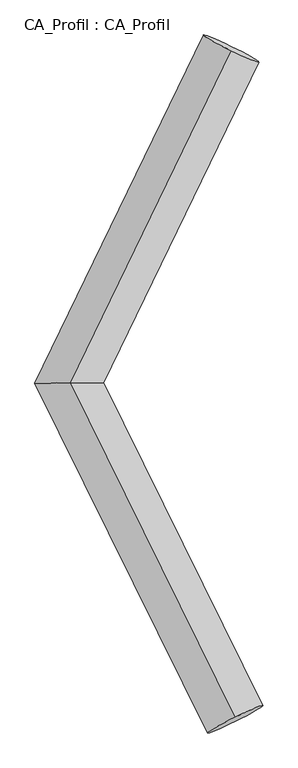
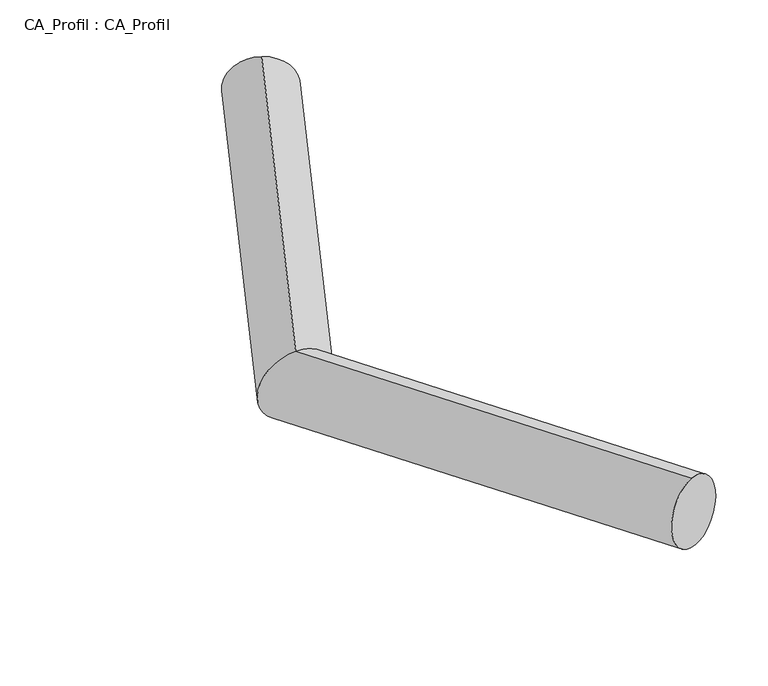
"""IFC4 building model written with IfcOpenShell, lengths in millimetres: plate geometry, CA_Profil : CA_Profil."""

from ifc_helpers import new_model, si_unit, frame, origin, place, context, project, spatial, circle_curve, ellipse_curve, source, transform, mapped, element, save
from ifc_brep_helpers import plane_surface, cylinder_surface, advanced_brep


def ca_profil_ca_profil_5d3562be(model_context):
    return source(origin(), model_context, "Body", "AdvancedBrep", [
        advanced_brep(
        [(6082.5654579, 8810.8254414, -153.4915211), (6077.2547681, 8778.022922, 345.4030482), (4765.8613016, 6096.1149812, -346.0010327), (4776.349137, 6095.8850188, 155.2033693), (6114.9588383, 3365.6624135, -154.6228019), (6109.409349, 3397.8905596, 344.3066017)],
        [
            (0, 1, circle_curve(frame((6079.910113, 8794.4241817, 95.9557635), z_axis=(0.4355169559234601, 0.8979256503790444, 0.06367501468027432), x_axis=(-0.010621379543289879, -0.06560503883486642, 0.9977891386340468)), 250.0)),
            (1, 0, circle_curve(frame((6079.910113, 8794.4241817, 95.9557635), z_axis=(0.4355169559234601, 0.8979256503790444, 0.06367501468027432), x_axis=(-0.010621379543289879, -0.06560503883486642, 0.9977891386340468)), 250.0)),
            (0, 2),
            (2, 3, ellipse_curve(frame((4771.1052193, 6096.0, -95.3988317), z_axis=(-0.0036720806419067173, 0.9999931144247671, 0.0005356554993738939), x_axis=(0.9897821842124181, 0.003558230444300859, 0.1425432103321652)), 278.9075635, 250.0)),
            (3, 1),
            (3, 2, ellipse_curve(frame((4771.1052193, 6096.0, -95.3988317), z_axis=(-0.0036720806419067173, 0.9999931144247671, 0.0005356554993738939), x_axis=(0.9897821842124181, 0.003558230444300859, 0.1425432103321652)), 278.9075635, 250.0)),
            (4, 5, circle_curve(frame((6112.1840936, 3381.7764866, 94.8418999), z_axis=(0.4420999266326492, -0.8947706500570002, 0.06271474043619797), x_axis=(-0.011098978527866973, 0.06445629222168678, 0.9978588071809912)), 250.0)),
            (5, 4, circle_curve(frame((6112.1840936, 3381.7764866, 94.8418999), z_axis=(0.4420999266326492, -0.8947706500570002, 0.06271474043619797), x_axis=(-0.011098978527866973, 0.06445629222168678, 0.9978588071809912)), 250.0)),
            (2, 4),
            (5, 3),
        ],
        [
            plane_surface(frame((6079.910113, 8812.1081386, -153.4180075), z_axis=(0.43551695592346035, 0.8979256503790444, 0.06367501468027398), x_axis=(0.9001805269517681, -0.4344260225478393, -0.030806652367654005))),
            cylinder_surface(frame((6079.910113, 8794.4241817, 95.9557635), z_axis=(0.4355169559234601, 0.8979256503790444, 0.06367501468027432), x_axis=(-0.010621379543289879, -0.06560503883486642, 0.9977891386340468)), 250.0),
            plane_surface(frame((6112.1840936, 3364.2967956, -154.5462722), z_axis=(0.44209992663264847, -0.8947706500570005, 0.06271474043619803), x_axis=(0.8969658047391812, 0.4410179704211498, -0.030911080443797846))),
            cylinder_surface(frame((4771.1052193, 6096.0, -95.3988317), z_axis=(-0.4420999266326492, 0.8947706500570002, -0.06271474043619797), x_axis=(-0.011098978527866973, 0.06445629222168678, 0.9978588071809912)), 250.0),
        ],
        [
            (0, [[1, 2]]),
            (1, [[-1, 3, 4, 5]]),
            (1, [[-2, -5, 6, -3]]),
            (2, [[7, 8]]),
            (3, [[-4, 9, -8, 10]]),
            (3, [[-6, -10, -7, -9]]),
        ],
    ),
    ])


if __name__ == "__main__":
    model = new_model("IFC4")
    model_context = context("Model", 3, world=origin())
    ifc_project = project(units=[si_unit("LENGTHUNIT", "METRE", prefix="MILLI")], contexts=[model_context])
    site = spatial("IfcSite", under=ifc_project)
    building = spatial("IfcBuilding", under=site)
    placement = place(None, origin())
    ca_profil_ca_profil_shape = ca_profil_ca_profil_5d3562be(model_context)
    element("IfcPlate", 1, ObjectType="CA_Profil : CA_Profil", at=placement, inside=building, context=model_context, shape_type="MappedRepresentation", body=[
        mapped(ca_profil_ca_profil_shape, transform((0.0, 0.0, 0.0), x_axis=(1.0, 0.0, 0.0), y_axis=(0.0, 1.0, 0.0), z_axis=(0.0, 0.0, 1.0))),
    ])
    save(model, "model.ifc")
